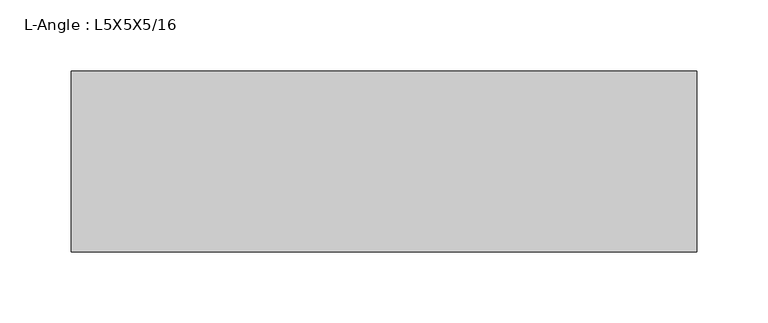
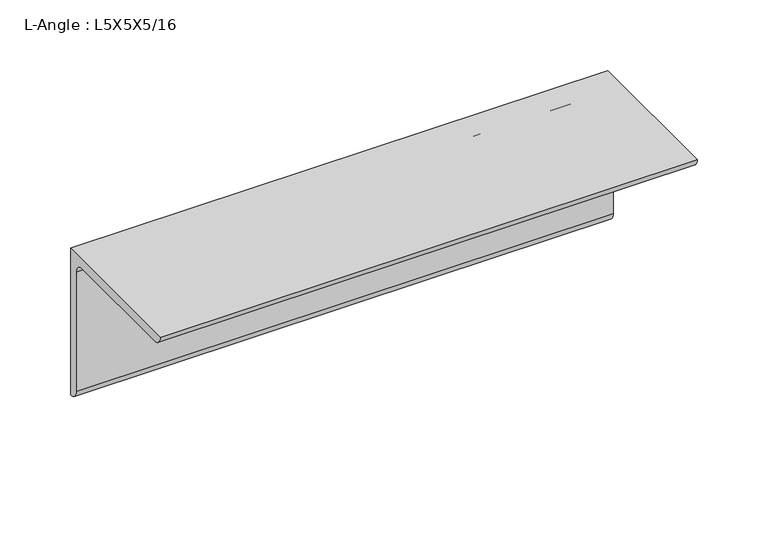
"""IFC4 building model written with IfcOpenShell, lengths in millimetres: beam geometry, L-Angle : L5X5X5/16."""

from ifc_helpers import new_model, si_unit, point, frame, frame_2d, origin, place, context, project, spatial, polyline, circle_curve, trimmed, segment, composite_curve, outline, extrude, source, transform, mapped, element, save


def l_angle_l5x5x5_16_f9625146(model_context):
    return source(origin(), model_context, "Body", "SweptSolid", [
        extrude(outline(composite_curve([segment(polyline([(34.3296875, 34.3296875), (34.3296875, -92.6703125)]), True, "CONTINUOUS"), segment(trimmed(circle_curve(frame_2d((34.3296875, -84.7328125)), 7.9375), [point((34.3296875, -92.6703125))], [point((26.3921875, -84.7328125))], False, "CARTESIAN"), True, "CONTINUOUS"), segment(polyline([(26.3921875, -84.7328125), (26.3921875, 18.4546875)]), True, "CONTINUOUS"), segment(trimmed(circle_curve(frame_2d((18.4546875, 18.4546875)), 7.9375), [point((26.3921875, 18.4546875))], [point((18.4546875, 26.3921875))], True, "CARTESIAN"), True, "CONTINUOUS"), segment(polyline([(18.4546875, 26.3921875), (-84.7328125, 26.3921875)]), True, "CONTINUOUS"), segment(trimmed(circle_curve(frame_2d((-84.7328125, 34.3296875)), 7.9375), [point((-84.7328125, 26.3921875))], [point((-92.6703125, 34.3296875))], False, "CARTESIAN"), True, "CONTINUOUS"), segment(polyline([(-92.6703125, 34.3296875), (34.3296875, 34.3296875)]), True, "CONTINUOUS")], self_intersect=False)), frame((-219.6703125, 0.0, 0.0), z_axis=(1.0, 0.0, 0.0), x_axis=(0.0, 1.0, 0.0)), (0.0, 0.0, 1.0), 439.340625),
    ])


if __name__ == "__main__":
    model = new_model("IFC4")
    model_context = context("Model", 3, world=origin())
    ifc_project = project(units=[si_unit("LENGTHUNIT", "METRE", prefix="MILLI")], contexts=[model_context])
    site = spatial("IfcSite", under=ifc_project)
    building = spatial("IfcBuilding", under=site)
    placement = place(None, origin())
    l_angle_l5x5x5_16_shape = l_angle_l5x5x5_16_f9625146(model_context)
    element("IfcBeam", 1, ObjectType="L-Angle : L5X5X5/16", at=placement, inside=building, context=model_context, shape_type="MappedRepresentation", body=[
        mapped(l_angle_l5x5x5_16_shape, transform((0.0, 0.0, 0.0), x_axis=(1.0, 0.0, 0.0), y_axis=(0.0, 1.0, 0.0), z_axis=(0.0, 0.0, 1.0))),
    ])
    save(model, "model.ifc")
